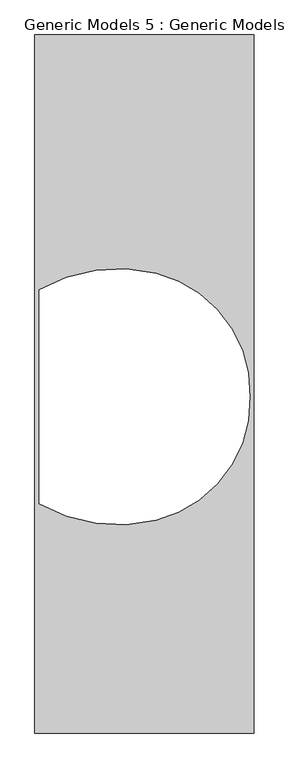
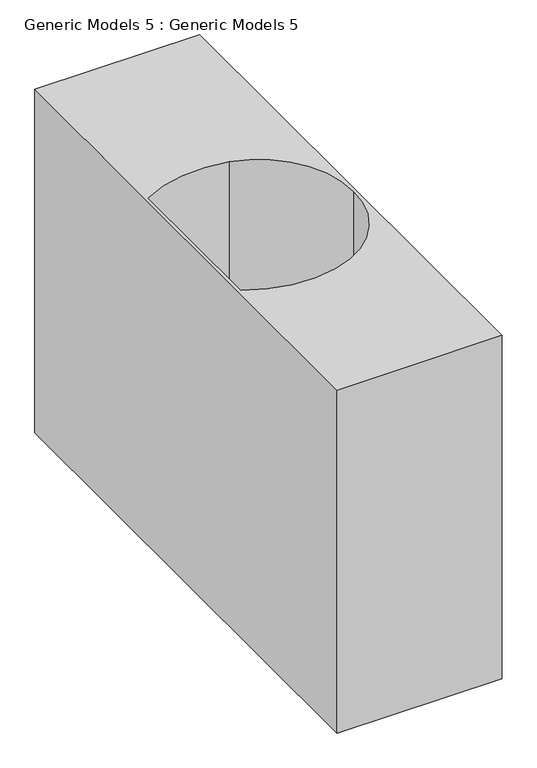
"""IFC4 building model written with IfcOpenShell, lengths in millimetres: proxy geometry, Generic Models 5 : Generic Models 5."""

from ifc_helpers import new_model, si_unit, point, frame, frame_2d, origin, place, context, project, spatial, polyline, circle_curve, trimmed, segment, composite_curve, outline, extrude, source, transform, mapped, element, save


def generic_models_5_generic_models_5_2edf109d(model_context):
    return source(origin(), model_context, "Body", "SweptSolid", [
        extrude(outline(polyline([(-1776.8717302, -4963.5771999), (-2138.9474041, -4963.5771999), (-2138.9474041, -3812.1108357), (-1776.8717302, -3812.1108357), (-1776.8717302, -4963.5771999)]), holes=[composite_curve([segment(trimmed(circle_curve(frame_2d((-1986.9319919, -4414.8916739)), 203.5258724), [point((-1938.9534672, -4612.6815673))], [point((-1783.4911, -4409.0108357))], True, "CARTESIAN"), True, "CONTINUOUS"), segment(trimmed(circle_curve(frame_2d((-1986.9319919, -4403.1299974)), 203.5258724), [point((-1783.4911, -4409.0108357))], [point((-1938.9534672, -4205.3401041))], True, "CARTESIAN"), True, "CONTINUOUS"), segment(trimmed(circle_curve(frame_2d((-2001.2934369, -4462.3345831)), 264.4474127), [point((-1938.9534672, -4205.3401041))], [point((-2132.0557406, -4232.4788588))], True, "CARTESIAN"), True, "CONTINUOUS"), segment(polyline([(-2132.0557406, -4232.4788588), (-2132.0557406, -4585.5428126)]), True, "CONTINUOUS"), segment(trimmed(circle_curve(frame_2d((-2001.2934369, -4355.6870882)), 264.4474127), [point((-2132.0557406, -4585.5428126))], [point((-1938.9534672, -4612.6815673))], True, "CARTESIAN"), True, "CONTINUOUS")], self_intersect=False)]), frame((0.0, 0.0, 2794.0), z_axis=(0.0, 0.0, 1.0), x_axis=(1.0, 0.0, 0.0)), (0.0, 0.0, 1.0), 796.900125),
    ])


if __name__ == "__main__":
    model = new_model("IFC4")
    model_context = context("Model", 3, world=origin())
    ifc_project = project(units=[si_unit("LENGTHUNIT", "METRE", prefix="MILLI")], contexts=[model_context])
    site = spatial("IfcSite", under=ifc_project)
    building = spatial("IfcBuilding", under=site)
    placement = place(None, origin())
    generic_models_5_generic_models_5_shape = generic_models_5_generic_models_5_2edf109d(model_context)
    element("IfcBuildingElementProxy", 1, Name="Generic Models 5 : Generic Models 5", ObjectType="Generic Models 5 : Generic Models 5", at=placement, inside=building, context=model_context, shape_type="MappedRepresentation", body=[
        mapped(generic_models_5_generic_models_5_shape, transform((0.0, 0.0, 0.0), x_axis=(1.0, 0.0, 0.0), y_axis=(0.0, 1.0, 0.0), z_axis=(0.0, 0.0, 1.0))),
    ])
    save(model, "model.ifc")
